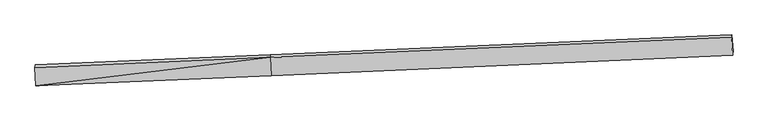
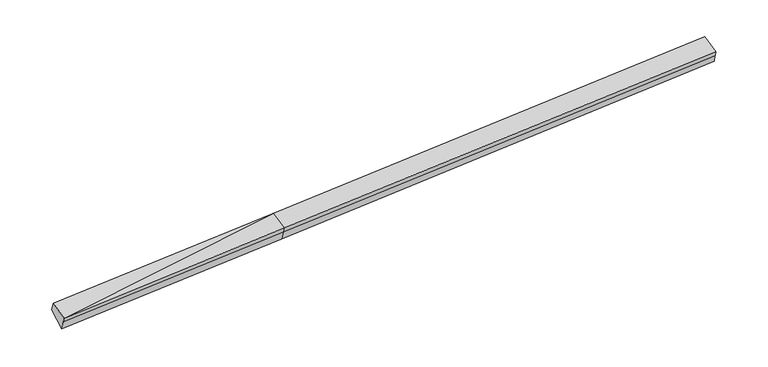
"""IFC4 building model written with IfcOpenShell, lengths in millimetres: proxy geometry."""

from ifc_helpers import new_model, si_unit, frame, origin, place, context, project, spatial, source, transform, mapped, element, save
from ifc_brep_helpers import plane_surface, spline_surface, advanced_brep


def generic_models_9154788e(model_context):
    return source(origin(), model_context, "Body", "AdvancedBrep", [
        advanced_brep(
        [(-11413.6173288, -2423.821712, 1549.4262659), (-11407.3025522, -2360.0268713, 1349.936913), (-2767.0471758, -1984.5153402, 1743.5267432), (-2773.3619524, -2048.310181, 1943.0160961), (-11450.5988357, -1757.6766451, 1761.2826276), (-2810.3434593, -1382.1651141, 2154.8724579), (-11439.5368049, -1653.3495944, 1418.6549196), (-2799.2814285, -1277.8380633, 1812.2447499), (-11396.2956981, -2256.2572408, 1009.0522834), (-2756.0403217, -1880.7457097, 1402.6421137), (14157.6490046, -555.3242794, 2632.582854), (14148.0938159, -644.4285033, 2927.6080939), (14185.0753227, -1310.5735702, 2715.7517321), (14191.3900993, -1246.7787295, 2516.2623792), (14200.8901113, -1158.2319258, 2222.9802178)],
        [
            (0, 1),
            (1, 2),
            (2, 3),
            (3, 0),
            (4, 0),
            (0, 5),
            (5, 4),
            (6, 4),
            (5, 7),
            (7, 6),
            (8, 6),
            (7, 9),
            (9, 8),
            (1, 8),
            (9, 2),
            (10, 11),
            (11, 12),
            (12, 13),
            (13, 14),
            (14, 10),
            (3, 5),
            (5, 11),
            (10, 7),
            (3, 12),
            (2, 13),
            (9, 14),
        ],
        [
            plane_surface(frame((-11410.4599405, -2391.9242917, 1449.6815894), z_axis=(0.055136478383778234, -0.9515381456703619, -0.3025477253023803), x_axis=(0.030136841487400413, 0.3044565365536293, -0.9520493622365029))),
            plane_surface(frame((-11432.1080822, -2090.7491786, 1655.3544467), z_axis=(-0.030136841487400902, -0.3044565365536264, 0.9520493622365037), x_axis=(0.05283072407964081, -0.951635809834507, -0.3026519453660307))),
            plane_surface(frame((-11445.0678203, -1705.5131198, 1589.9687736), z_axis=(-0.05471059342632856, 0.9556937689220635, 0.2892337653360696), x_axis=(-0.030871087622891466, -0.29114812570803694, 0.9561797659675072))),
            plane_surface(frame((-11417.9162515, -1954.8034176, 1213.8536015), z_axis=(0.013207394048402862, 0.562557492886259, -0.826652667049455), x_axis=(-0.059220961989080056, 0.8257136197079489, 0.5609722772917436))),
            plane_surface(frame((-11401.7991252, -2308.142056, 1179.4945982), z_axis=(0.05470837871690744, -0.9557146306329642, -0.28916524357582185), x_axis=(0.03087484297059851, 0.2910796314835436, -0.9562004979118895))),
            plane_surface(frame((14176.6196708, -983.0674016, 2603.0370554), z_axis=(0.9981486289017205, 0.04117648346316564, 0.044763956831622265), x_axis=(-0.03098958733701174, -0.28898467810233947, 0.9568320131030155))),
            plane_surface(frame((-11421.4702439, -2090.2264127, 1417.6706019), z_axis=(-0.9981486289017201, -0.041176483463163674, -0.04476395683162924), x_axis=(-0.030136841487405575, -0.30445653655362925, 0.9520493622365027))),
            plane_surface(frame((-11413.6173288, -2423.821712, 1549.4262659), z_axis=(-0.030136841487400094, -0.3044565365536321, 0.9520493622365022), x_axis=(0.05283072407964227, -0.9516358098345052, -0.30265194536603635))),
            spline_surface(1, 1, [[(-2799.2814285, -1277.8380633, 1812.2447499), (14157.6490046, -555.3242794, 2632.582854)], [(-2810.3434593, -1382.1651141, 2154.8724579), (14148.0938159, -644.4285033, 2927.6080939)]], [2, 2], [2, 2], [0.0, 1.0], [0.0, 1.0]),
            plane_surface(frame((-2791.8527058, -1715.2376475, 2048.944277), z_axis=(-0.03013684148740046, -0.30445653655363203, 0.952049362236502), x_axis=(0.05283072407964073, -0.9516358098345054, -0.30265194536603635))),
            plane_surface(frame((-2770.2045641, -2016.4127606, 1843.2714197), z_axis=(0.05518026068692957, -0.9515362419429793, -0.3025457305921781), x_axis=(0.030136841487405575, 0.30445653655362925, -0.9520493622365027))),
            spline_surface(1, 1, [[(-2767.0471758, -1984.5153402, 1743.5267432), (14191.3900993, -1246.7787295, 2516.2623792)], [(-2756.0403217, -1880.7457097, 1402.6421137), (14200.8901113, -1158.2319258, 2222.9802178)]], [2, 2], [2, 2], [0.0, 1.0], [0.0, 1.0]),
            plane_surface(frame((-2777.6608751, -1579.2918865, 1607.4434318), z_axis=(0.01601067376558845, 0.5626719569620482, -0.8265252126669039), x_axis=(-0.05922096198908226, 0.8257136197079482, 0.5609722772917441))),
        ],
        [
            (0, [[1, 2, 3, 4]]),
            (1, [[5, 6, 7]]),
            (2, [[8, -7, 9, 10]]),
            (3, [[11, -10, 12, 13]]),
            (4, [[14, -13, 15, -2]]),
            (5, [[16, 17, 18, 19, 20]]),
            (6, [[-1, -5, -8, -11, -14]]),
            (7, [[21, -6, -4]]),
            (8, [[-9, 22, -16, 23]]),
            (9, [[-21, 24, -17, -22]]),
            (10, [[-3, 25, -18, -24]]),
            (11, [[-15, 26, -19, -25]]),
            (12, [[-12, -23, -20, -26]]),
        ],
    ),
    ])


if __name__ == "__main__":
    model = new_model("IFC4")
    model_context = context("Model", 3, world=origin())
    ifc_project = project(units=[si_unit("LENGTHUNIT", "METRE", prefix="MILLI")], contexts=[model_context])
    site = spatial("IfcSite", under=ifc_project)
    building = spatial("IfcBuilding", under=site)
    placement = place(None, origin())
    generic_models_shape = generic_models_9154788e(model_context)
    element("IfcBuildingElementProxy", 1, Name="Generic Models", at=placement, inside=building, context=model_context, shape_type="MappedRepresentation", body=[
        mapped(generic_models_shape, transform((0.0, 0.0, 0.0), x_axis=(1.0, 0.0, 0.0), y_axis=(0.0, 1.0, 0.0), z_axis=(0.0, 0.0, 1.0))),
    ])
    save(model, "model.ifc")
